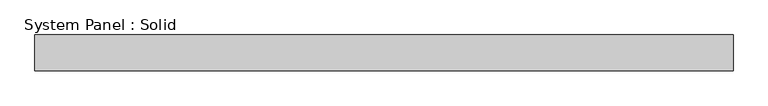
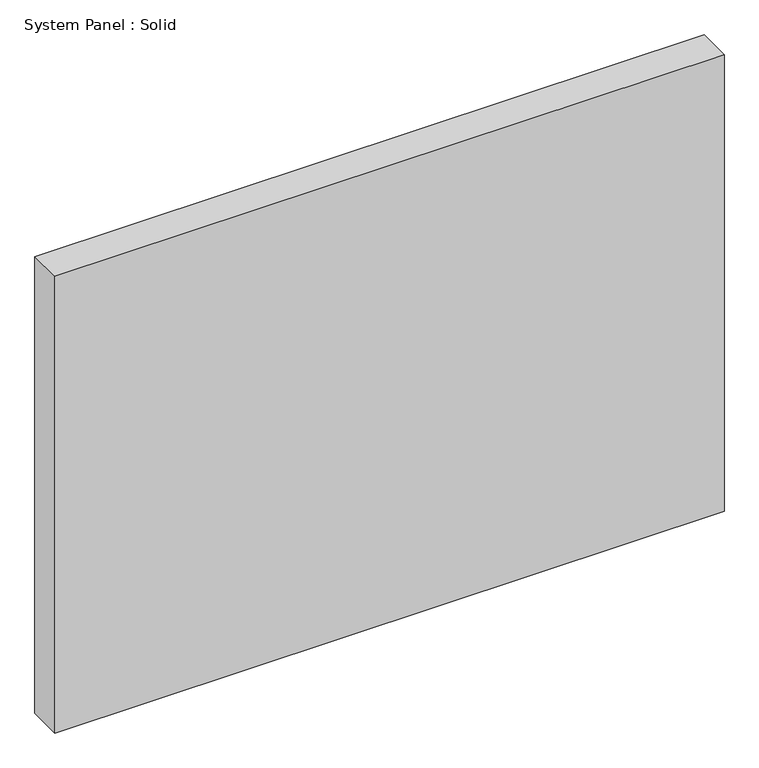
"""IFC4 building model written with IfcOpenShell, lengths in millimetres: plate geometry, System Panel : Solid."""

from ifc_helpers import new_model, si_unit, origin, origin_with_axes, place, context, project, spatial, polyline, outline, extrude, source, transform, mapped, element, save


def system_panel_solid_3928089a(model_context):
    return source(origin(), model_context, "Body", "SweptSolid", [
        extrude(outline(polyline([(615.95, -44.45), (-615.95, -44.45), (-615.95, 19.05), (615.95, 19.05), (615.95, -44.45)])), origin_with_axes(), (0.0, 0.0, 1.0), 889.0),
    ])


if __name__ == "__main__":
    model = new_model("IFC4")
    model_context = context("Model", 3, world=origin())
    ifc_project = project(units=[si_unit("LENGTHUNIT", "METRE", prefix="MILLI")], contexts=[model_context])
    site = spatial("IfcSite", under=ifc_project)
    building = spatial("IfcBuilding", under=site)
    placement = place(None, origin())
    system_panel_solid_shape = system_panel_solid_3928089a(model_context)
    element("IfcPlate", 1, ObjectType="System Panel : Solid", at=placement, inside=building, context=model_context, shape_type="MappedRepresentation", body=[
        mapped(system_panel_solid_shape, transform((0.0, 0.0, 0.0), x_axis=(1.0, 0.0, 0.0), y_axis=(0.0, 1.0, 0.0), z_axis=(0.0, 0.0, 1.0))),
    ])
    save(model, "model.ifc")
